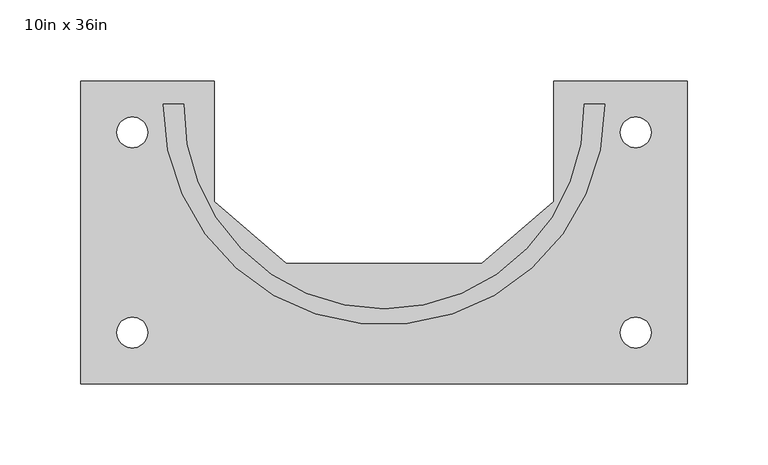
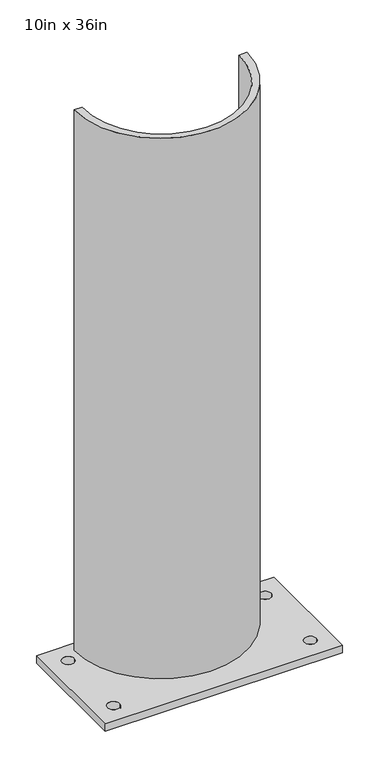
"""IFC4 building model written with IfcOpenShell, lengths in millimetres: proxy geometry, 10in x 36in."""

from ifc_helpers import new_model, si_unit, point, frame, frame_2d, origin, origin_with_axes, place, context, project, spatial, polyline, circle_curve, trimmed, segment, composite_curve, outline, extrude, source, transform, mapped, element, save


def proxy_10in_x_36in_3c8c5d69(model_context):
    return source(origin(), model_context, "Body", "SweptSolid", [
        extrude(outline(composite_curve([segment(trimmed(circle_curve(frame_2d((0.0, 79.2274394)), 136.525), [point((136.525, 79.2274394))], [point((-136.525, 79.2274394))], False, "CARTESIAN"), True, "CONTINUOUS"), segment(polyline([(-136.525, 79.2274394), (-123.7906229, 79.2274394)]), True, "CONTINUOUS"), segment(trimmed(circle_curve(frame_2d((0.0, 76.3098539)), 123.825), [point((-123.7906229, 79.2274394))], [point((123.7906229, 79.2274394))], True, "CARTESIAN"), True, "CONTINUOUS"), segment(polyline([(123.7906229, 79.2274394), (136.525, 79.2274394)]), True, "CONTINUOUS")], self_intersect=False)), frame((0.0, 0.0, 12.7), z_axis=(0.0, 0.0, 1.0), x_axis=(1.0, 0.0, 0.0)), (0.0, 0.0, 1.0), 901.7),
        extrude(outline(polyline([(-187.325, -93.6625), (-187.325, 93.6625), (-104.775, 93.6625), (-104.775, 19.05), (-60.325, -19.05), (60.325, -19.05), (104.775, 19.05), (104.775, 93.6625), (187.325, 93.6625), (187.325, -93.6625), (-187.325, -93.6625)]), holes=[composite_curve([segment(trimmed(circle_curve(frame_2d((-155.575, 61.9125)), 9.525), [point((-165.1, 61.9125))], [point((-146.05, 61.9125))], True, "CARTESIAN"), True, "CONTINUOUS"), segment(trimmed(circle_curve(frame_2d((-155.575, 61.9125)), 9.525), [point((-146.05, 61.9125))], [point((-165.1, 61.9125))], True, "CARTESIAN"), True, "CONTINUOUS")], self_intersect=False), composite_curve([segment(trimmed(circle_curve(frame_2d((155.575, 61.9125)), 9.525), [point((146.05, 61.9125))], [point((165.1, 61.9125))], True, "CARTESIAN"), True, "CONTINUOUS"), segment(trimmed(circle_curve(frame_2d((155.575, 61.9125)), 9.525), [point((165.1, 61.9125))], [point((146.05, 61.9125))], True, "CARTESIAN"), True, "CONTINUOUS")], self_intersect=False), composite_curve([segment(trimmed(circle_curve(frame_2d((155.575, -61.9125)), 9.525), [point((146.05, -61.9125))], [point((165.1, -61.9125))], True, "CARTESIAN"), True, "CONTINUOUS"), segment(trimmed(circle_curve(frame_2d((155.575, -61.9125)), 9.525), [point((165.1, -61.9125))], [point((146.05, -61.9125))], True, "CARTESIAN"), True, "CONTINUOUS")], self_intersect=False), composite_curve([segment(trimmed(circle_curve(frame_2d((-155.575, -61.9125)), 9.525), [point((-165.1, -61.9125))], [point((-146.05, -61.9125))], True, "CARTESIAN"), True, "CONTINUOUS"), segment(trimmed(circle_curve(frame_2d((-155.575, -61.9125)), 9.525), [point((-146.05, -61.9125))], [point((-165.1, -61.9125))], True, "CARTESIAN"), True, "CONTINUOUS")], self_intersect=False)]), origin_with_axes(), (0.0, 0.0, 1.0), 12.7),
    ])


if __name__ == "__main__":
    model = new_model("IFC4")
    model_context = context("Model", 3, world=origin())
    ifc_project = project(units=[si_unit("LENGTHUNIT", "METRE", prefix="MILLI")], contexts=[model_context])
    site = spatial("IfcSite", under=ifc_project)
    building = spatial("IfcBuilding", under=site)
    placement = place(None, origin())
    proxy_10in_x_36in_shape = proxy_10in_x_36in_3c8c5d69(model_context)
    element("IfcBuildingElementProxy", 1, Name="10in x 36in", ObjectType="10in x 36in", at=placement, inside=building, context=model_context, shape_type="MappedRepresentation", body=[
        mapped(proxy_10in_x_36in_shape, transform((0.0, 0.0, 0.0), x_axis=(1.0, 0.0, 0.0), y_axis=(0.0, 1.0, 0.0), z_axis=(0.0, 0.0, 1.0))),
    ])
    save(model, "model.ifc")
